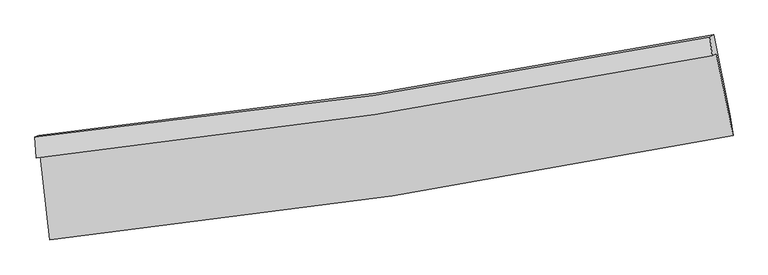
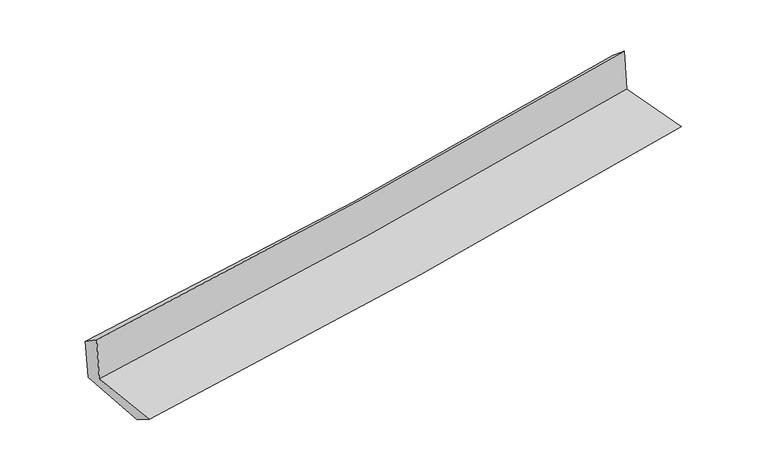
"""IFC4 building model written with IfcOpenShell, lengths in millimetres: proxy geometry."""

from ifc_helpers import new_model, si_unit, frame, origin, place, context, project, spatial, source, transform, mapped, element, save
from ifc_brep_helpers import plane_surface, spline_curve, spline_surface, advanced_brep


def generic_models_a35cef2c(model_context):
    return source(origin(), model_context, "Body", "AdvancedBrep", [
        advanced_brep(
        [(-2686.215443, -1887.032639, 1650.5862406), (-2610.2130715, -2551.3490747, 1632.0366027), (2767.6431236, -1725.4663211, 2100.3763881), (2635.4269793, -1080.5020577, 2123.6166127), (-2718.715428, -1904.9733834, 2052.7437296), (2603.4055589, -1098.0738767, 2516.5514302), (-2727.8016582, -1738.1225129, 1940.8365623), (2585.1477622, -952.643895, 2394.1325759), (-2697.23042, -1728.8994477, 1572.5351106), (2614.2173155, -933.5813495, 2030.4873673), (-2620.6420085, -2380.5261327, 1530.5918684), (2747.1891053, -1576.2324686, 1993.743335)],
        [
            (0, 1),
            (1, 2, spline_curve(3, [(-2610.2130715, -2551.3490747, 1632.0366027), (-1709.670256828, -2456.443831056, 1723.334143123), (-811.878186519, -2340.295897556, 1807.965175522), (980.756252202, -2065.122946159, 1964.116504505), (1875.582913869, -1905.976628524, 2035.598733633), (2767.6431236, -1725.4663211, 2100.3763881)], [4, 2, 4], [0.0, 8.901142122315147, 17.8276616480991])),
            (2, 3),
            (3, 0, spline_curve(3, [(2635.4269793, -1080.5020577, 2123.6166127), (1752.220218391, -1253.948557305, 2054.81565597), (866.511806813, -1407.950722862, 1980.932643561), (-907.383204218, -1676.683849845, 1823.226998012), (-1795.555600251, -1791.525211135, 1739.433220047), (-2686.215443, -1887.032639, 1650.5862406)], [4, 2, 4], [0.0, 8.926519525783952, 17.8276616480991])),
            (4, 0),
            (3, 5),
            (5, 4, spline_curve(3, [(2603.4055589, -1098.0738767, 2516.5514302), (1720.097080863, -1271.591317397, 2449.538597137), (834.297889457, -1425.659734614, 2377.319119224), (-939.756581073, -1694.515809678, 2222.686990444), (-1827.997718537, -1809.413894794, 2140.303901475), (-2718.715428, -1904.9733834, 2052.7437296)], [4, 2, 4], [0.0, 8.878484829681378, 17.731728814813692])),
            (6, 4),
            (5, 7),
            (7, 6, spline_curve(3, [(2585.1477622, -952.643895, 2394.1325759), (1704.613571209, -1128.874811222, 2322.397197204), (820.96602295, -1282.507875243, 2248.698277131), (-950.034793796, -1544.205775801, 2097.588457584), (-1837.370386147, -1652.398917905, 2020.188706197), (-2727.8016582, -1738.1225129, 1940.8365623)], [4, 2, 4], [0.0, 8.8678297342623, 17.710448915586355])),
            (8, 6),
            (7, 9),
            (9, 8, spline_curve(3, [(2614.2173155, -933.5813495, 2030.4873673), (1733.69740595, -1107.991144974, 1956.20841277), (850.182485576, -1261.537237741, 1880.850389606), (-920.31709772, -1526.524811104, 1728.193510525), (-1807.284755894, -1638.084751353, 1650.900781571), (-2697.23042, -1728.8994477, 1572.5351106)], [4, 2, 4], [0.0, 8.857523516182901, 17.689865779207132])),
            (10, 8),
            (9, 11),
            (11, 10, spline_curve(3, [(2747.1891053, -1576.2324686, 1993.743335), (1858.456265105, -1759.167120293, 1918.257043184), (966.128723647, -1917.719668082, 1841.86170905), (-823.168724118, -2185.679120539, 1687.472725505), (-1720.118220534, -2295.224460542, 1609.4842376), (-2620.6420085, -2380.5261327, 1530.5918684)], [4, 2, 4], [0.0, 8.905146671337134, 17.784976700574887])),
            (1, 10),
            (11, 2),
        ],
        [
            spline_surface(3, 3, [[(-2686.215443, -1887.032639, 1650.5862406), (-1795.555600313, -1791.52521105, 1739.433219956), (-907.38320431, -1676.683849753, 1823.226998081), (866.511806906, -1407.950722955, 1980.932643491), (1752.220218327, -1253.948557179, 2054.815656062), (2635.4269793, -1080.5020577, 2123.6166127)], [(-2660.881319145, -2108.471450902, 1644.403027988), (-1766.927152455, -2013.16475108, 1734.066861004), (-875.548198414, -1897.8878657, 1818.13972395), (904.593288715, -1627.008130648, 1975.327263811), (1793.341116851, -1471.291247586, 2048.410015252), (2679.499027415, -1295.490145491, 2115.869871163)], [(-2635.547195355, -2329.910262798, 1638.219815312), (-1738.298704663, -2234.804291105, 1728.700501987), (-843.713192532, -2119.09188169, 1813.052449763), (942.67477051, -1846.065538385, 1969.721884075), (1834.46201533, -1688.63393802, 2042.004374453), (2723.571075485, -1510.478233309, 2108.123129637)], [(-2610.2130715, -2551.3490747, 1632.0366027), (-1709.670256805, -2456.443831135, 1723.334143034), (-811.878186636, -2340.295897637, 1807.965175632), (980.75625232, -2065.122946079, 1964.116504394), (1875.582913854, -1905.976628426, 2035.598733642), (2767.6431236, -1725.4663211, 2100.3763881)]], [4, 4], [4, 2, 4], [0.0, 2.1944068146470608], [0.0, 8.901142122315147, 17.8276616480991]),
            spline_surface(3, 3, [[(-2718.715428, -1904.9733834, 2052.7437296), (-1827.997718623, -1809.413894778, 2140.303901365), (-939.75658114, -1694.515809797, 2222.686990346), (834.297889523, -1425.659734495, 2377.319119323), (1720.097080976, -1271.591317263, 2449.538597178), (2603.4055589, -1098.0738767, 2516.5514302)], [(-2707.882099673, -1898.993135271, 1918.691233257), (-1817.183679192, -1803.451000206, 2006.680340886), (-928.965455529, -1688.571823128, 2089.533659576), (845.035861985, -1419.756730661, 2245.19029403), (1730.804793409, -1265.710397236, 2317.96428345), (2614.079365683, -1092.216603701, 2385.573157677)], [(-2697.048771327, -1893.012887129, 1784.638736943), (-1806.369639744, -1797.488105622, 1873.056780436), (-918.174329921, -1682.627836422, 1956.380328851), (855.773834444, -1413.853726789, 2113.061468784), (1741.512505893, -1259.829477207, 2186.38996979), (2624.753172517, -1086.359330699, 2254.594885223)], [(-2686.215443, -1887.032639, 1650.5862406), (-1795.555600313, -1791.52521105, 1739.433219956), (-907.38320431, -1676.683849753, 1823.226998081), (866.511806906, -1407.950722955, 1980.932643491), (1752.220218327, -1253.948557179, 2054.815656062), (2635.4269793, -1080.5020577, 2123.6166127)]], [4, 4], [4, 2, 4], [0.0, 1.311097129605157], [0.0, 8.853243985132314, 17.731728814813692]),
            spline_surface(3, 3, [[(-2727.8016582, -1738.1225129, 1940.8365623), (-1837.370386109, -1652.398917849, 2020.188706246), (-950.034793938, -1544.205775878, 2097.588457485), (820.966023092, -1282.507875166, 2248.69827723), (1704.613571065, -1128.874811152, 2322.397197142), (2585.1477622, -952.643895, 2394.1325759)], [(-2724.772914797, -1793.739469755, 1978.138951415), (-1834.24616361, -1704.737243514, 2060.227104634), (-946.608722992, -1594.309120527, 2139.287968449), (825.409978583, -1330.225161619, 2291.571891272), (1709.774741058, -1176.446979857, 2364.777663827), (2591.233694457, -1001.120555568, 2434.938860673)], [(-2721.744171403, -1849.356426545, 2015.441340485), (-1831.121941121, -1757.075569113, 2100.265502977), (-943.182652086, -1644.412465148, 2180.987479381), (829.853934033, -1377.942448043, 2334.445505281), (1714.935910982, -1224.019148558, 2407.158130494), (2597.319626643, -1049.597216132, 2475.745145427)], [(-2718.715428, -1904.9733834, 2052.7437296), (-1827.997718623, -1809.413894778, 2140.303901365), (-939.75658114, -1694.515809797, 2222.686990346), (834.297889523, -1425.659734495, 2377.319119323), (1720.097080976, -1271.591317263, 2449.538597178), (2603.4055589, -1098.0738767, 2516.5514302)]], [4, 4], [4, 2, 4], [0.0, 0.6375398400182629], [0.0, 8.842619181324055, 17.710448915586355]),
            spline_surface(3, 3, [[(-2697.23042, -1728.8994477, 1572.5351106), (-1807.284755935, -1638.084751333, 1650.900781521), (-920.317097801, -1526.524811211, 1728.193510604), (850.182485657, -1261.537237634, 1880.850389526), (1733.697406029, -1107.991145026, 1956.20841269), (2614.2173155, -933.5813495, 2030.4873673)], [(-2707.42083274, -1731.973802739, 1695.302261139), (-1817.313299332, -1642.856140144, 1773.996756401), (-930.222996522, -1532.41846608, 1851.325159575), (840.443664794, -1268.527450125, 2003.466352105), (1724.002794366, -1114.952367052, 2078.271340845), (2604.527464392, -939.935531317, 2151.702436837)], [(-2717.61124546, -1735.048157861, 1818.069411761), (-1827.341842711, -1647.627529039, 1897.092731365), (-940.128895217, -1538.312121009, 1974.456808514), (830.704843956, -1275.517662675, 2126.082314651), (1714.308182728, -1121.913589126, 2200.334268988), (2594.837613308, -946.289713183, 2272.917506363)], [(-2727.8016582, -1738.1225129, 1940.8365623), (-1837.370386109, -1652.398917849, 2020.188706246), (-950.034793938, -1544.205775878, 2097.588457485), (820.966023092, -1282.507875166, 2248.69827723), (1704.613571065, -1128.874811152, 2322.397197142), (2585.1477622, -952.643895, 2394.1325759)]], [4, 4], [4, 2, 4], [0.0, 1.2148948614193684], [0.0, 8.83234226302423, 17.689865779207132]),
            spline_surface(3, 3, [[(-2620.6420085, -2380.5261327, 1530.5918684), (-1720.118220642, -2295.224460516, 1609.484237605), (-823.168724131, -2185.679120422, 1687.472725503), (966.12872366, -1917.719668199, 1841.861709052), (1858.456265089, -1759.167120244, 1918.257043313), (2747.1891053, -1576.2324686, 1993.743335)], [(-2646.171478995, -2163.31723772, 1544.57294916), (-1749.173732401, -2076.177890808, 1623.28975227), (-855.551515344, -1965.961017369, 1701.046320537), (927.479977669, -1698.992191361, 1854.857935877), (1816.869978742, -1542.108461849, 1930.907499771), (2702.865175373, -1362.01542891, 2005.991345766)], [(-2671.700949505, -1946.10834268, 1558.55402984), (-1778.229244176, -1857.131321041, 1637.095266855), (-887.934306588, -1746.242914264, 1714.61991557), (888.831231648, -1480.264714471, 1867.854162701), (1775.283692377, -1325.049803422, 1943.557956232), (2658.541245427, -1147.79838919, 2018.239356534)], [(-2697.23042, -1728.8994477, 1572.5351106), (-1807.284755935, -1638.084751333, 1650.900781521), (-920.317097801, -1526.524811211, 1728.193510604), (850.182485657, -1261.537237634, 1880.850389526), (1733.697406029, -1107.991145026, 1956.20841269), (2614.2173155, -933.5813495, 2030.4873673)]], [4, 4], [4, 2, 4], [0.0, 2.189744540279828], [0.0, 8.879830029237754, 17.784976700574887]),
            spline_surface(3, 3, [[(-2610.2130715, -2551.3490747, 1632.0366027), (-1709.670256805, -2456.443831135, 1723.334143034), (-811.878186636, -2340.295897637, 1807.965175632), (980.75625232, -2065.122946079, 1964.116504394), (1875.582913854, -1905.976628426, 2035.598733642), (2767.6431236, -1725.4663211, 2100.3763881)], [(-2613.689383851, -2494.408094014, 1598.221691241), (-1713.152911436, -2402.704040909, 1685.384174533), (-815.641699156, -2288.756971893, 1767.801025563), (975.880409411, -2015.988520114, 1923.364905921), (1869.874030913, -1857.040125711, 1996.484836884), (2760.825117481, -1675.721703612, 2064.832037084)], [(-2617.165696149, -2437.467113386, 1564.406779859), (-1716.635566011, -2348.964250742, 1647.434206107), (-819.405211611, -2237.218046166, 1727.636875572), (971.004566568, -1966.854094164, 1882.613307525), (1864.16514803, -1808.103622959, 1957.370940072), (2754.007111419, -1625.977086088, 2029.287686016)], [(-2620.6420085, -2380.5261327, 1530.5918684), (-1720.118220642, -2295.224460516, 1609.484237605), (-823.168724131, -2185.679120422, 1687.472725503), (966.12872366, -1917.719668199, 1841.861709052), (1858.456265089, -1759.167120244, 1918.257043313), (2747.1891053, -1576.2324686, 1993.743335)]], [4, 4], [4, 2, 4], [0.0, 0.6370335899206593], [0.0, 8.937992769546408, 17.901468004780607]),
            plane_surface(frame((2658.8383075, -1227.7499948, 2193.1512849), z_axis=(0.9764161661368137, 0.19697837780352082, 0.08837980077246169), x_axis=(-0.07957655971330634, -0.05218283781142617, 0.9954619644075514))),
            plane_surface(frame((-2676.8030049, -2031.8171984, 1729.8883524), z_axis=(-0.9901912545500652, -0.11091210401707274, -0.08496931560907235), x_axis=(-0.11362170591596615, 0.9931369921549327, 0.027731259585511595))),
        ],
        [
            (0, [[1, 2, 3, 4]]),
            (1, [[5, -4, 6, 7]]),
            (2, [[8, -7, 9, 10]]),
            (3, [[11, -10, 12, 13]]),
            (4, [[14, -13, 15, 16]]),
            (5, [[17, -16, 18, -2]]),
            (6, [[-12, -9, -6, -3, -18, -15]]),
            (7, [[-1, -5, -8, -11, -14, -17]]),
        ],
    ),
    ])


if __name__ == "__main__":
    model = new_model("IFC4")
    model_context = context("Model", 3, world=origin())
    ifc_project = project(units=[si_unit("LENGTHUNIT", "METRE", prefix="MILLI")], contexts=[model_context])
    site = spatial("IfcSite", under=ifc_project)
    building = spatial("IfcBuilding", under=site)
    placement = place(None, origin())
    generic_models_shape = generic_models_a35cef2c(model_context)
    element("IfcBuildingElementProxy", 1, Name="Generic Models", at=placement, inside=building, context=model_context, shape_type="MappedRepresentation", body=[
        mapped(generic_models_shape, transform((0.0, 0.0, 0.0), x_axis=(1.0, 0.0, 0.0), y_axis=(0.0, 1.0, 0.0), z_axis=(0.0, 0.0, 1.0))),
    ])
    save(model, "model.ifc")
